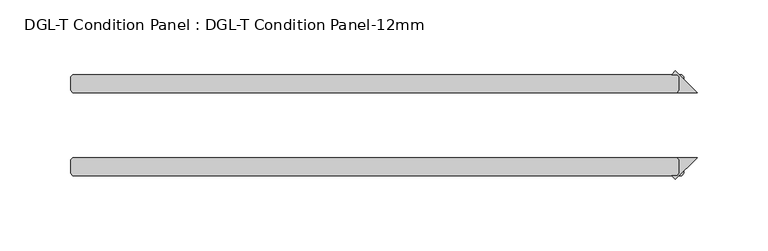
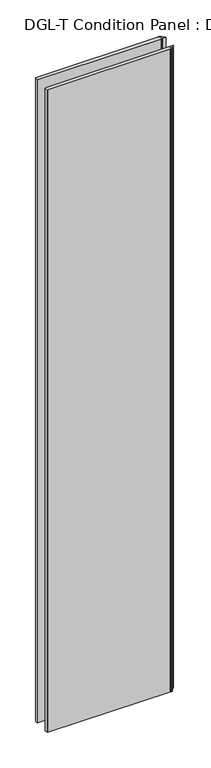
"""IFC4 building model written with IfcOpenShell, lengths in millimetres: plate geometry, DGL-T Condition Panel : DGL-T Condition Panel-12mm."""

from ifc_helpers import new_model, si_unit, origin, origin_with_axes, place, context, project, spatial, polyline, outline, extrude, source, transform, mapped, element, save


def dgl_t_condition_panel_dgl_t_condition_panel_12mm_9fc58d0e(model_context):
    return source(origin(), model_context, "Body", "SweptSolid", [
        extrude(outline(polyline([(218.2830201, -24.60625), (216.6955201, -23.01875), (230.9830201, -23.01875), (215.5729881, -38.428782), (212.8629561, -35.71875), (216.6955201, -35.71875), (218.2830201, -34.13125), (218.2830201, -24.60625)])), origin_with_axes(), (0.0, 0.0, 1.0), 2339.914687),
        extrude(outline(polyline([(218.2830201, 24.60625), (218.2830201, 34.13125), (216.6955201, 35.71875), (212.8629561, 35.71875), (215.5729881, 38.428782), (230.9830201, 23.01875), (216.6955201, 23.01875), (218.2830201, 24.60625)])), origin_with_axes(), (0.0, 0.0, 1.0), 2339.914687),
        extrude(outline(polyline([(219.8705201, -23.01875), (221.4580201, -24.60625), (221.4580201, -34.13125), (219.8705201, -35.71875), (-210.3455201, -35.71875), (-211.9330201, -34.13125), (-211.9330201, -24.60625), (-210.3455201, -23.01875), (219.8705201, -23.01875)])), origin_with_axes(), (0.0, 0.0, 1.0), 2339.914687),
        extrude(outline(polyline([(219.8705201, 35.71875), (221.4580201, 34.13125), (221.4580201, 24.60625), (219.8705201, 23.01875), (-210.3455201, 23.01875), (-211.9330201, 24.60625), (-211.9330201, 34.13125), (-210.3455201, 35.71875), (219.8705201, 35.71875)])), origin_with_axes(), (0.0, 0.0, 1.0), 2339.914687),
    ])


if __name__ == "__main__":
    model = new_model("IFC4")
    model_context = context("Model", 3, world=origin())
    ifc_project = project(units=[si_unit("LENGTHUNIT", "METRE", prefix="MILLI")], contexts=[model_context])
    site = spatial("IfcSite", under=ifc_project)
    building = spatial("IfcBuilding", under=site)
    placement = place(None, origin())
    dgl_t_condition_panel_dgl_t_condition_panel_12mm_shape = dgl_t_condition_panel_dgl_t_condition_panel_12mm_9fc58d0e(model_context)
    element("IfcPlate", 1, ObjectType="DGL-T Condition Panel : DGL-T Condition Panel-12mm", at=placement, inside=building, context=model_context, shape_type="MappedRepresentation", body=[
        mapped(dgl_t_condition_panel_dgl_t_condition_panel_12mm_shape, transform((0.0, 0.0, 0.0), x_axis=(1.0, 0.0, 0.0), y_axis=(0.0, 1.0, 0.0), z_axis=(0.0, 0.0, 1.0))),
    ])
    save(model, "model.ifc")
